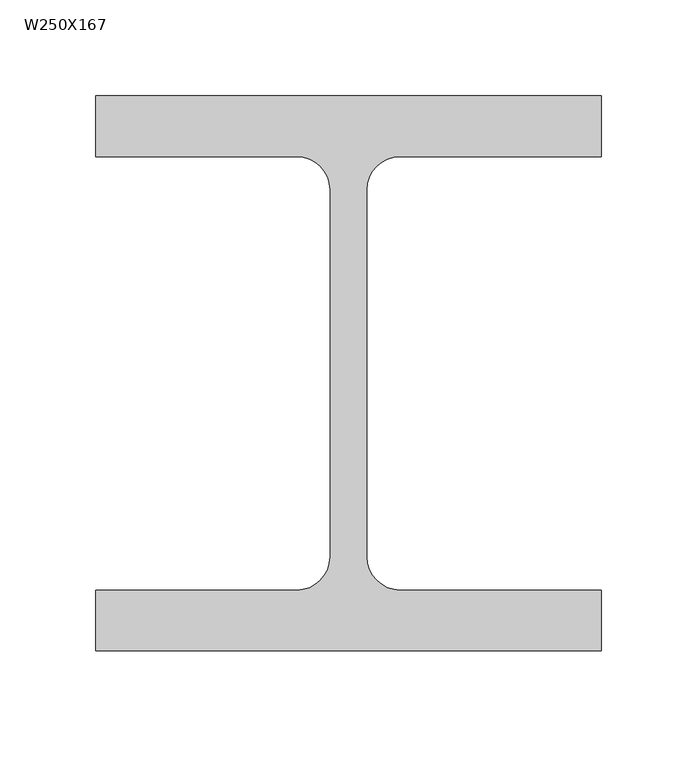
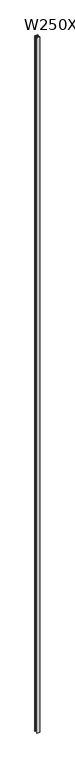
"""IFC4 building model written with IfcOpenShell, lengths in millimetres: column geometry, W250X167."""

from ifc_helpers import new_model, si_unit, point, frame_2d, origin, origin_with_axes, place, context, project, spatial, polyline, circle_curve, trimmed, segment, composite_curve, outline, extrude, source, transform, mapped, element, save


def w250x167_d5d92577(model_context):
    return source(origin(), model_context, "Body", "SweptSolid", [
        extrude(outline(composite_curve([segment(polyline([(132.0, 145.0), (132.0, 113.2), (27.0, 113.2)]), True, "CONTINUOUS"), segment(trimmed(circle_curve(frame_2d((27.0, 95.8)), 17.4), [point((27.0, 113.2))], [point((9.6, 95.8))], True, "CARTESIAN"), True, "CONTINUOUS"), segment(polyline([(9.6, 95.8), (9.6, -95.8)]), True, "CONTINUOUS"), segment(trimmed(circle_curve(frame_2d((27.0, -95.8)), 17.4), [point((9.6, -95.8))], [point((27.0, -113.2))], True, "CARTESIAN"), True, "CONTINUOUS"), segment(polyline([(27.0, -113.2), (132.0, -113.2), (132.0, -145.0), (-132.0, -145.0), (-132.0, -113.2), (-27.0, -113.2)]), True, "CONTINUOUS"), segment(trimmed(circle_curve(frame_2d((-27.0, -95.8)), 17.4), [point((-27.0, -113.2))], [point((-9.6, -95.8))], True, "CARTESIAN"), True, "CONTINUOUS"), segment(polyline([(-9.6, -95.8), (-9.6, 95.8)]), True, "CONTINUOUS"), segment(trimmed(circle_curve(frame_2d((-27.0, 95.8)), 17.4), [point((-9.6, 95.8))], [point((-27.0, 113.2))], True, "CARTESIAN"), True, "CONTINUOUS"), segment(polyline([(-27.0, 113.2), (-132.0, 113.2), (-132.0, 145.0), (132.0, 145.0)]), True, "CONTINUOUS")], self_intersect=False)), origin_with_axes(), (0.0, 0.0, 1.0), 63775.0),
    ])


if __name__ == "__main__":
    model = new_model("IFC4")
    model_context = context("Model", 3, world=origin())
    ifc_project = project(units=[si_unit("LENGTHUNIT", "METRE", prefix="MILLI")], contexts=[model_context])
    site = spatial("IfcSite", under=ifc_project)
    building = spatial("IfcBuilding", under=site)
    placement = place(None, origin())
    w250x167_shape = w250x167_d5d92577(model_context)
    element("IfcColumn", 1, ObjectType="W250X167", at=placement, inside=building, context=model_context, shape_type="MappedRepresentation", body=[
        mapped(w250x167_shape, transform((0.0, 0.0, 0.0), x_axis=(1.0, 0.0, 0.0), y_axis=(0.0, 1.0, 0.0), z_axis=(0.0, 0.0, 1.0))),
    ])
    save(model, "model.ifc")
